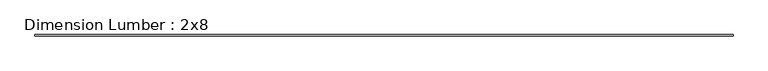
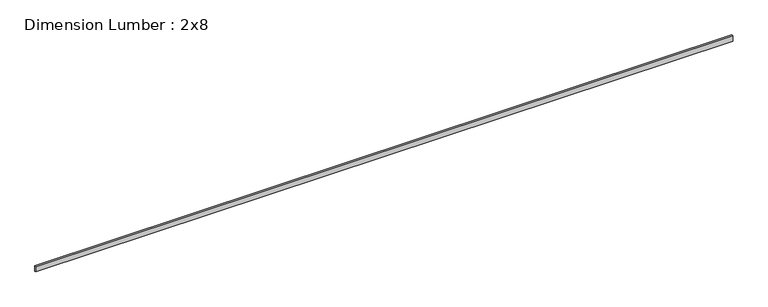
"""IFC4 building model written with IfcOpenShell, lengths in millimetres: beam geometry, Dimension Lumber : 2x8."""

from ifc_helpers import new_model, si_unit, frame, origin, place, context, project, spatial, polyline, outline, extrude, source, transform, mapped, element, save


def dimension_lumber_2x8_43b3ddbf(model_context):
    return source(origin(), model_context, "Body", "SweptSolid", [
        extrude(outline(polyline([(11193.5641527, 19.05), (11193.5641527, -19.05), (-11193.5641527, -19.05), (-11193.5641527, 19.05), (11193.5641527, 19.05)])), frame((0.0, 0.0, -92.075), z_axis=(0.0, 0.0, 1.0), x_axis=(1.0, 0.0, 0.0)), (0.0, 0.0, 1.0), 184.15),
    ])


if __name__ == "__main__":
    model = new_model("IFC4")
    model_context = context("Model", 3, world=origin())
    ifc_project = project(units=[si_unit("LENGTHUNIT", "METRE", prefix="MILLI")], contexts=[model_context])
    site = spatial("IfcSite", under=ifc_project)
    building = spatial("IfcBuilding", under=site)
    placement = place(None, origin())
    dimension_lumber_2x8_shape = dimension_lumber_2x8_43b3ddbf(model_context)
    element("IfcBeam", 1, ObjectType="Dimension Lumber : 2x8", at=placement, inside=building, context=model_context, shape_type="MappedRepresentation", body=[
        mapped(dimension_lumber_2x8_shape, transform((0.0, 0.0, 0.0), x_axis=(1.0, 0.0, 0.0), y_axis=(0.0, 1.0, 0.0), z_axis=(0.0, 0.0, 1.0))),
    ])
    save(model, "model.ifc")
